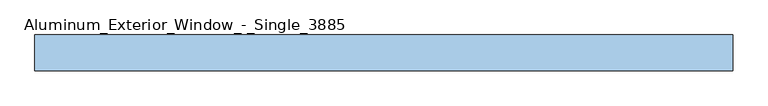
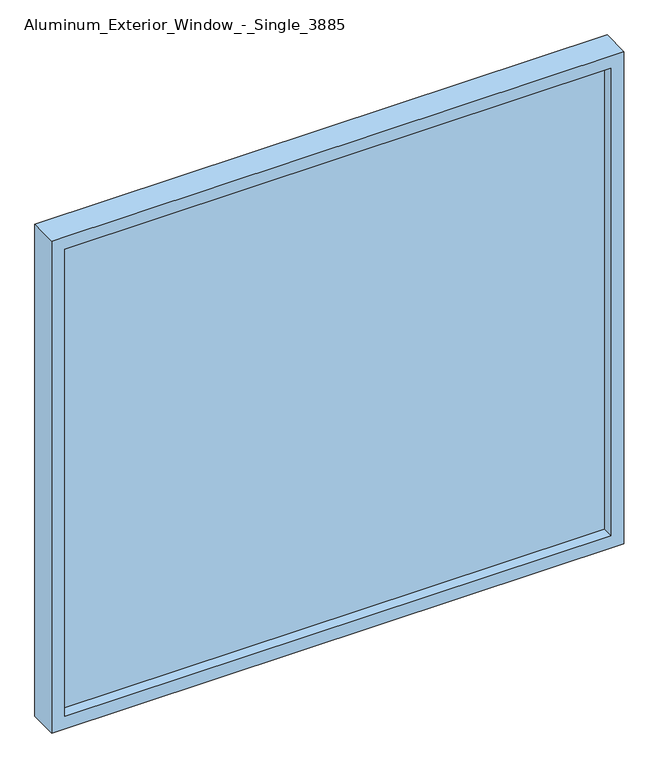
"""IFC4 building model written with IfcOpenShell, lengths in millimetres: window geometry, Aluminum_Exterior_Window_-_Single_3885."""

import ifcopenshell
import ifcopenshell.guid

model = None  # the IFC model being written
_history = None  # IfcOwnerHistory: only IFC2X3 demands one
_inside = {}  # id of a spatial element -> (the spatial element, [elements in it])
_under = {}  # id of a project, library or spatial element -> (it, [spatial elements below it])
_declared = {}  # id of a project -> (the project, [libraries it declares])
_typed = {}  # id of a type object -> (the type object, [elements of that type])
_made_of = {}  # id of a material, layer set ... -> (it, [elements and type objects made of it])


def new_model(schema):
    """Start an empty IFC model of exactly this schema.

    Asked for "IFC4X3", IfcOpenShell would pick the latest addendum, in which some entities
    have other attributes; the version numbers below select the first issue.
    IFC2X3 requires an IfcOwnerHistory on every rooted entity: one is made here for all.
    """
    global model, _history
    if schema == "IFC4X3":
        model = ifcopenshell.file(schema_version=(4, 3, 0, 0))
    else:
        model = ifcopenshell.file(schema=schema)
    _inside.clear()
    _under.clear()
    _declared.clear()
    _typed.clear()
    _made_of.clear()
    _history = None
    if model.schema == "IFC2X3":
        org = make("IfcOrganization", Name="unknown")
        user = make(
            "IfcPersonAndOrganization",
            ThePerson=make("IfcPerson", FamilyName="unknown"),
            TheOrganization=org,
        )
        app = make(
            "IfcApplication",
            ApplicationDeveloper=org,
            Version="unknown",
            ApplicationFullName="unknown",
            ApplicationIdentifier="unknown",
        )
        _history = make(
            "IfcOwnerHistory",
            OwningUser=user,
            OwningApplication=app,
            ChangeAction="ADDED",
            CreationDate=0,
        )
    return model


def make(cls, **values):
    """One entity of the class cls with the attributes given. An attribute that is None is left unset."""
    return model.create_entity(
        cls, **{name: value for name, value in values.items() if value is not None}
    )


def rooted(cls, **values):
    """An entity with a GlobalId (a new one), such as an element, a storey or a relation."""
    return make(cls, GlobalId=ifcopenshell.guid.new(), OwnerHistory=_history, **values)


def si_unit(unit_type, name, prefix=None):
    """IfcSIUnit, for example si_unit("LENGTHUNIT", "METRE", prefix="MILLI")."""
    return make("IfcSIUnit", UnitType=unit_type, Prefix=prefix, Name=name)


def assignment(units):
    """IfcUnitAssignment: the units of a project."""
    return None if units is None else make("IfcUnitAssignment", Units=units)


def point(xyz):
    """IfcCartesianPoint."""
    return None if xyz is None else make("IfcCartesianPoint", Coordinates=xyz)


def direction(xyz):
    """IfcDirection."""
    return None if xyz is None else make("IfcDirection", DirectionRatios=xyz)


def frame(location, z_axis=None, x_axis=None):
    """IfcAxis2Placement3D, a coordinate frame: its origin and axes. An axis left out is left unset."""
    return make(
        "IfcAxis2Placement3D",
        Location=point(location),
        Axis=direction(z_axis),
        RefDirection=direction(x_axis),
    )


def origin():
    """The frame at (0, 0, 0) with its axes left unset."""
    return frame((0.0, 0.0, 0.0))


def place(relative_to, where):
    """IfcLocalPlacement: puts the frame where relative to a parent placement (None: the world)."""
    return make(
        "IfcLocalPlacement", PlacementRelTo=relative_to, RelativePlacement=where
    )


def context(
    kind, dimensions, precision=None, world=None, true_north=None, identifier=None
):
    """IfcGeometricRepresentationContext, for example the 3D "Model" context."""
    return make(
        "IfcGeometricRepresentationContext",
        ContextIdentifier=identifier,
        ContextType=kind,
        CoordinateSpaceDimension=dimensions,
        Precision=precision,
        WorldCoordinateSystem=world,
        TrueNorth=true_north,
    )


def project(units=None, contexts=None):
    """IfcProject with its units and contexts."""
    return rooted(
        "IfcProject",
        Name="project",
        RepresentationContexts=contexts,
        UnitsInContext=assignment(units),
    )


def spatial(cls, under=None, at=None, **own):
    """A site, building, storey or space (cls), placed at a placement, below another one or the project."""
    s = rooted(cls, ObjectPlacement=at, **own)
    if under is not None:
        _under.setdefault(under.id(), (under, []))[1].append(s)
    return s


def polyline(points):
    """IfcPolyline through the points."""
    return make("IfcPolyline", Points=[point(p) for p in points])


def outline(outer, holes=None, kind="AREA"):
    """IfcArbitraryClosedProfileDef: a profile drawn as a closed curve; with holes, ...WithVoids."""
    if holes is None:
        return make("IfcArbitraryClosedProfileDef", ProfileType=kind, OuterCurve=outer)
    return make(
        "IfcArbitraryProfileDefWithVoids",
        ProfileType=kind,
        OuterCurve=outer,
        InnerCurves=holes,
    )


def extrude(swept, where, along, depth):
    """IfcExtrudedAreaSolid: the profile swept, set in the frame where, extruded along a direction by depth."""
    return make(
        "IfcExtrudedAreaSolid",
        SweptArea=swept,
        Position=where,
        ExtrudedDirection=direction(along),
        Depth=depth,
    )


def shape(context_of_items, identifier, shape_type, items):
    """IfcShapeRepresentation: the items that make up one representation, for example the "Body"."""
    return make(
        "IfcShapeRepresentation",
        ContextOfItems=context_of_items,
        RepresentationIdentifier=identifier,
        RepresentationType=shape_type,
        Items=items,
    )


def source(mapping_origin, context_of_items, identifier, shape_type, items):
    """IfcRepresentationMap: a shape defined once, which mapped items show again and again."""
    return make(
        "IfcRepresentationMap",
        MappingOrigin=mapping_origin,
        MappedRepresentation=shape(context_of_items, identifier, shape_type, items),
    )


def transform(
    local_origin,
    x_axis=None,
    y_axis=None,
    z_axis=None,
    scale=None,
    scale2=None,
    scale3=None,
    uniform=True,
):
    """IfcCartesianTransformationOperator3D, or its non-uniform kind. x_axis, y_axis, z_axis: its Axis1, 2, 3."""
    if uniform:
        return make(
            "IfcCartesianTransformationOperator3D",
            Axis1=direction(x_axis),
            Axis2=direction(y_axis),
            LocalOrigin=point(local_origin),
            Scale=scale,
            Axis3=direction(z_axis),
        )
    return make(
        "IfcCartesianTransformationOperator3DnonUniform",
        Axis1=direction(x_axis),
        Axis2=direction(y_axis),
        LocalOrigin=point(local_origin),
        Scale=scale,
        Axis3=direction(z_axis),
        Scale2=scale2,
        Scale3=scale3,
    )


def mapped(mapping_source, mapping_target):
    """IfcMappedItem: shows the shape of a source again, moved by a transform."""
    return make(
        "IfcMappedItem", MappingSource=mapping_source, MappingTarget=mapping_target
    )


def made_of(thing, what):
    """Note that an element or type object is made of a material, layer set ...; save() writes the relation."""
    if what is not None:
        _made_of.setdefault(what.id(), (what, []))[1].append(thing)
    return thing


def element(
    cls,
    number,
    at=None,
    inside=None,
    cuts=None,
    type_object=None,
    material=None,
    context=None,
    identifier="Body",
    shape_type=None,
    held_by="IfcProductDefinitionShape",
    body=None,
    shapes=None,
    **own,
):
    """One element of the class cls, such as IfcWall. Its Tag is "e" and its number.

    at: its placement. inside: the storey or other place that contains it. cuts: it is an
    opening in that element (IfcRelVoidsElement). A single representation is given by context,
    identifier, shape_type and body (its items); several are given by shapes. held_by: the class
    of the entity that holds the representations. save() writes the other relations.
    """
    e = rooted(cls, Tag="e%d" % number, ObjectPlacement=at, **own)
    if body is not None:
        shapes = [shape(context, identifier, shape_type, body)]
    if shapes is not None:
        e.Representation = make(held_by, Representations=shapes)
    if inside is not None:
        _inside.setdefault(inside.id(), (inside, []))[1].append(e)
    if cuts is not None:
        rooted(
            "IfcRelVoidsElement", RelatingBuildingElement=cuts, RelatedOpeningElement=e
        )
    if type_object is not None:
        _typed.setdefault(type_object.id(), (type_object, []))[1].append(e)
    return made_of(e, material)


def aggregate(whole, parts):
    """IfcRelAggregates: a whole, such as a stair, and the parts it consists of."""
    return rooted("IfcRelAggregates", RelatingObject=whole, RelatedObjects=parts)


def save(model, path):
    """Write the relations noted so far, then the file.

    IfcRelAggregates (storeys below a building ...), IfcRelContainedInSpatialStructure (elements
    in a storey), IfcRelDefinesByType, IfcRelAssociatesMaterial and IfcRelDeclares: one each for
    every whole, place, type object, material and project.
    """
    for whole, parts in _under.values():
        aggregate(whole, parts)
    for where, things in _inside.values():
        rooted(
            "IfcRelContainedInSpatialStructure",
            RelatedElements=things,
            RelatingStructure=where,
        )
    for kind, things in _typed.values():
        rooted("IfcRelDefinesByType", RelatedObjects=things, RelatingType=kind)
    for what, things in _made_of.values():
        rooted("IfcRelAssociatesMaterial", RelatedObjects=things, RelatingMaterial=what)
    for by, libraries in _declared.values():
        rooted("IfcRelDeclares", RelatingContext=by, RelatedDefinitions=libraries)
    model.write(path)


def aluminum_exterior_window_single_3885_36a8d253(model_context):
    return source(origin(), model_context, "Body", "SweptSolid", [
        extrude(outline(polyline([(-1727.2, 106.7075246), (406.4, 106.7075246), (406.4, 81.3075246), (-1727.2, 81.3075246), (-1727.2, 106.7075246)])), frame((0.0, 0.0, 254.0), z_axis=(0.0, 0.0, 1.0), x_axis=(1.0, 0.0, 0.0)), (0.0, 0.0, 1.0), 1930.4),
        extrude(outline(polyline([(2235.2, -1778.0), (203.2, -1778.0), (203.2, 457.2), (2235.2, 457.2), (2235.2, -1778.0)]), holes=[polyline([(2184.4, -1727.2), (2184.4, 406.4), (254.0, 406.4), (254.0, -1727.2), (2184.4, -1727.2)])]), frame((0.0, 36.8575246, 0.0), z_axis=(0.0, 1.0, 0.0), x_axis=(0.0, 0.0, 1.0)), (0.0, 0.0, 1.0), 114.3),
    ])


if __name__ == "__main__":
    model = new_model("IFC4")
    model_context = context("Model", 3, world=origin())
    ifc_project = project(units=[si_unit("LENGTHUNIT", "METRE", prefix="MILLI")], contexts=[model_context])
    site = spatial("IfcSite", under=ifc_project)
    building = spatial("IfcBuilding", under=site)
    placement = place(None, origin())
    aluminum_exterior_window_single_3885_shape = aluminum_exterior_window_single_3885_36a8d253(model_context)
    element("IfcWindow", 1, ObjectType="Aluminum_Exterior_Window_-_Single_3885", at=placement, inside=building, context=model_context, shape_type="MappedRepresentation", body=[
        mapped(aluminum_exterior_window_single_3885_shape, transform((0.0, 0.0, 0.0), x_axis=(1.0, 0.0, 0.0), y_axis=(0.0, 1.0, 0.0), z_axis=(0.0, 0.0, 1.0))),
    ])
    save(model, "model.ifc")
